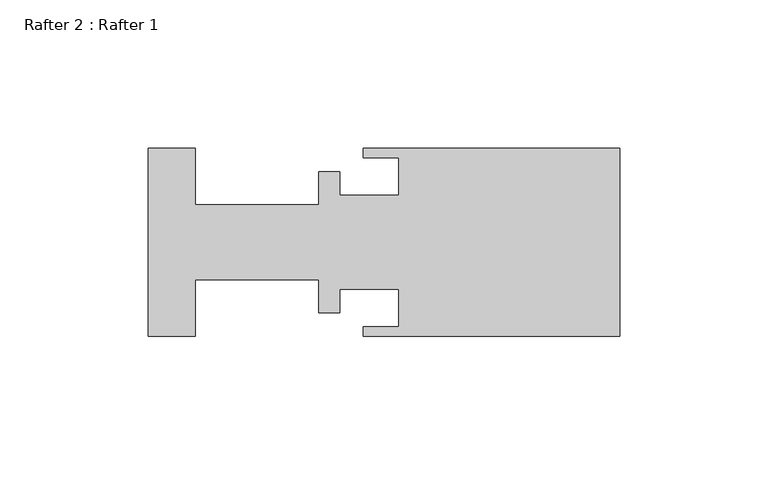
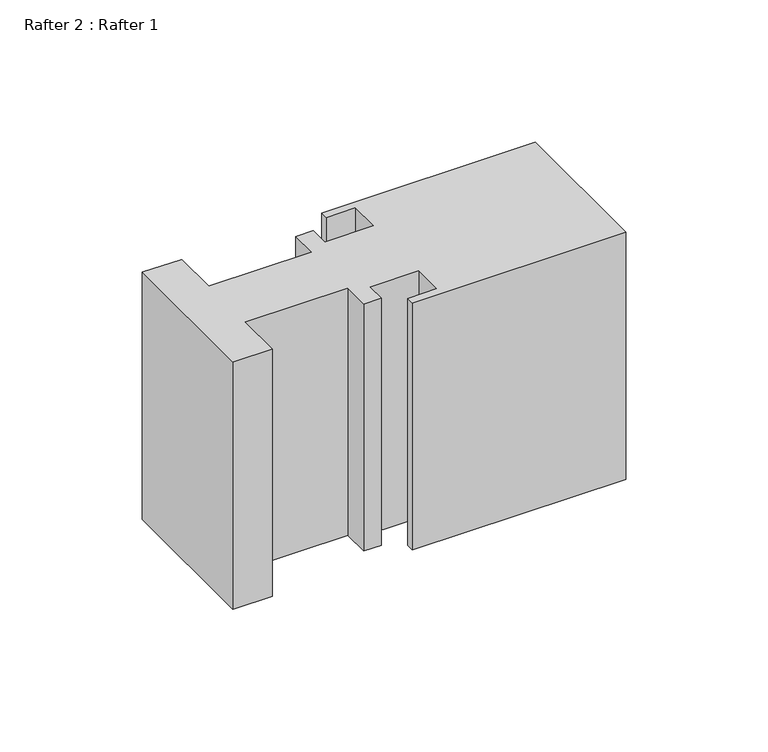
"""IFC4 building model written with IfcOpenShell, lengths in millimetres: proxy geometry, Rafter 2 : Rafter 1."""

from ifc_helpers import new_model, si_unit, frame, origin, place, context, project, spatial, polyline, outline, extrude, source, transform, mapped, element, save


def rafter_2_rafter_1_847ce559(model_context):
    return source(origin(), model_context, "Body", "SweptSolid", [
        extrude(outline(polyline([(-5244.4649704, 4322.4409238), (-5228.5899704, 4322.4409238), (-5228.5899704, 4303.3909238), (-5186.9339704, 4303.3909238), (-5186.9339704, 4314.5161238), (-5179.7711704, 4314.5161238), (-5179.7711704, 4306.5659238), (-5159.9591704, 4306.5659238), (-5159.9591704, 4319.2659238), (-5171.8717704, 4319.2659238), (-5171.8717704, 4322.4409238), (-5085.3339704, 4322.4409238), (-5085.3339704, 4258.9409238), (-5171.8717704, 4258.9409238), (-5171.8717704, 4262.1159238), (-5159.9591704, 4262.1159238), (-5159.9591704, 4274.8159238), (-5179.7711704, 4274.8159238), (-5179.7711704, 4266.8657238), (-5186.9339704, 4266.8657238), (-5186.9339704, 4277.9909238), (-5228.5899704, 4277.9909238), (-5228.5899704, 4258.9409238), (-5244.4649704, 4258.9409238), (-5244.4649704, 4322.4409238)])), frame((0.0, 0.0, 906.6928108), z_axis=(0.0, 0.0, 1.0), x_axis=(1.0, 0.0, 0.0)), (0.0, 0.0, 1.0), 105.9434),
    ])


if __name__ == "__main__":
    model = new_model("IFC4")
    model_context = context("Model", 3, world=origin())
    ifc_project = project(units=[si_unit("LENGTHUNIT", "METRE", prefix="MILLI")], contexts=[model_context])
    site = spatial("IfcSite", under=ifc_project)
    building = spatial("IfcBuilding", under=site)
    placement = place(None, origin())
    rafter_2_rafter_1_shape = rafter_2_rafter_1_847ce559(model_context)
    element("IfcBuildingElementProxy", 1, Name="Rafter 2 : Rafter 1", ObjectType="Rafter 2 : Rafter 1", at=placement, inside=building, context=model_context, shape_type="MappedRepresentation", body=[
        mapped(rafter_2_rafter_1_shape, transform((0.0, 0.0, 0.0), x_axis=(1.0, 0.0, 0.0), y_axis=(0.0, 1.0, 0.0), z_axis=(0.0, 0.0, 1.0))),
    ])
    save(model, "model.ifc")
